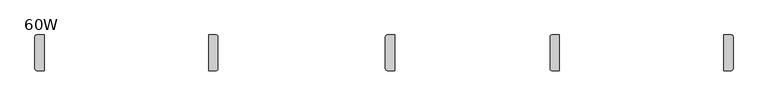
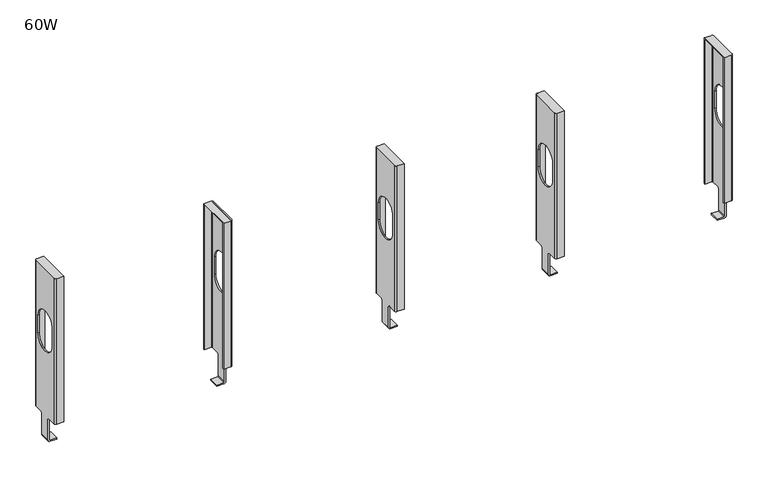
"""IFC4 building model written with IfcOpenShell, lengths in millimetres: furniture geometry, 60W."""

from ifc_helpers import new_model, si_unit, frame, origin, place, context, project, spatial, polyline, circle_curve, source, transform, mapped, element, save
from ifc_brep_helpers import plane_surface, cylinder_surface, revolved_surface, advanced_brep


def furniture_60w_26b0120f(model_context):
    return source(origin(), model_context, "Body", "AdvancedBrep", [
        advanced_brep(
        [(784.0983333, -27.8130007, 112.7505942), (784.0983333, -27.8130007, 110.2105966), (769.112334, -27.8130007, 110.2105966), (765.0483333, -27.8130007, 114.2746018), (765.0483333, -27.8130007, 160.9597973), (767.5883309, -27.8130007, 160.9597973), (767.5883309, -27.8130007, 114.2746018), (769.112334, -27.8130007, 112.7505942), (784.0983333, -49.6569981, 112.7505942), (769.112334, -49.6569981, 112.7505942), (767.5883309, -49.6569981, 114.2746018), (767.5883309, -49.6569981, 160.9597973), (765.0483333, -49.6569981, 160.9597973), (765.0483333, -49.6569981, 114.2746018), (769.112334, -49.6569981, 110.2105966), (784.0983333, -49.6569981, 110.2105966), (767.5883309, -24.7650014, 164.0077944), (767.5883309, -6.2864997, 164.0077944), (767.5883309, -6.2864985, 487.9473667), (767.5883309, -71.1835002, 487.9473667), (767.5883309, -71.1835002, 164.0077944), (767.5883309, -52.7049997, 164.0077944), (767.5883309, -64.1349979, 370.457309), (767.5883309, -13.3349998, 370.457309), (767.5883309, -13.3349998, 332.4494726), (767.5883309, -64.1349979, 332.4494726), (765.0483333, -52.7049997, 164.0077944), (765.0483333, -71.1835002, 164.0077944), (765.0483333, -71.1835002, 488.2388031), (765.0483333, -6.2864997, 488.2388031), (765.0483333, -6.2864985, 164.0077944), (765.0483333, -24.7650014, 164.0077944), (765.0483333, -64.1349979, 370.457309), (765.0483333, -64.1349979, 332.4494726), (765.0483333, -13.3349998, 332.4494726), (765.0483333, -13.3349998, 370.457309), (769.112334, -2.2224979, 164.0077944), (784.0983333, -2.2224979, 164.0077944), (784.0983333, -4.7624955, 164.0077944), (769.112334, -4.7624955, 164.0077944), (769.112334, -75.2475009, 488.2388031), (784.0983333, -75.2475009, 488.2388031), (784.0983333, -2.2224979, 488.2388031), (769.112334, -2.2224979, 488.2388031), (769.112334, -72.7075033, 164.0077944), (784.0983333, -72.7075033, 164.0077944), (784.0983333, -75.2475009, 164.0077944), (769.112334, -75.2475009, 164.0077944), (769.112334, -72.7075033, 487.9473667), (784.0983333, -72.7075033, 487.9473667), (784.0983333, -4.7624955, 487.9473667), (769.112334, -4.7624955, 487.9473667)],
        [
            (0, 1),
            (1, 2),
            (2, 3, circle_curve(frame((769.112334, -27.8130007, 114.2745973), z_axis=(0.0, 1.0, 0.0), x_axis=(1.0, 0.0, 0.0)), 4.0640007)),
            (3, 4),
            (4, 5),
            (5, 6),
            (6, 7),
            (7, 0),
            (8, 9),
            (9, 10),
            (10, 11),
            (11, 12),
            (12, 13),
            (13, 14, circle_curve(frame((769.112334, -49.6569981, 114.2745973), z_axis=(0.0, -1.0, 0.0), x_axis=(1.0, 0.0, 0.0)), 4.0640007)),
            (14, 15),
            (15, 8),
            (7, 9),
            (8, 0),
            (6, 10),
            (1, 15),
            (14, 2),
            (5, 16),
            (16, 17),
            (17, 18),
            (18, 19),
            (19, 20),
            (20, 21),
            (21, 11),
            (22, 23, circle_curve(frame((767.5883309, -38.7349988, 370.457309), z_axis=(-1.0, 0.0, 0.0), x_axis=(0.0, -1.0, 0.0)), 25.3999991)),
            (23, 24),
            (24, 25, circle_curve(frame((767.5883309, -38.7349988, 332.4494726), z_axis=(-1.0, 0.0, 0.0), x_axis=(0.0, -1.0, 0.0)), 25.3999991)),
            (25, 22),
            (12, 26),
            (26, 27),
            (27, 28),
            (28, 29),
            (29, 30),
            (30, 31),
            (31, 4),
            (3, 13),
            (32, 33),
            (33, 34, circle_curve(frame((765.0483333, -38.7349988, 332.4494726), z_axis=(1.0, 0.0, 0.0), x_axis=(0.0, -1.0, 0.0)), 25.3999991)),
            (34, 35),
            (35, 32, circle_curve(frame((765.0483333, -38.7349988, 370.457309), z_axis=(1.0, 0.0, 0.0), x_axis=(0.0, -1.0, 0.0)), 25.3999991)),
            (31, 16),
            (30, 36, circle_curve(frame((769.112334, -6.2864985, 164.0077944), z_axis=(0.0, 0.0, -1.0), x_axis=(1.0, 0.0, 0.0)), 4.0640007)),
            (36, 37),
            (37, 38),
            (38, 39),
            (39, 17),
            (28, 40, circle_curve(frame((769.112334, -71.1835002, 488.2388031), z_axis=(0.0, 0.0, 1.0), x_axis=(1.0, 0.0, 0.0)), 4.0640007)),
            (40, 41),
            (41, 42),
            (42, 43),
            (43, 29, circle_curve(frame((769.112334, -6.2864985, 488.2388031), z_axis=(0.0, 0.0, 1.0), x_axis=(1.0, 0.0, 0.0)), 4.0640007)),
            (20, 44),
            (44, 45),
            (45, 46),
            (46, 47),
            (47, 27, circle_curve(frame((769.112334, -71.1835002, 164.0077944), z_axis=(0.0, 0.0, -1.0), x_axis=(1.0, 0.0, 0.0)), 4.0640007)),
            (26, 21),
            (23, 35),
            (34, 24),
            (25, 33),
            (32, 22),
            (44, 48),
            (48, 49),
            (49, 45),
            (19, 48),
            (46, 41),
            (40, 47),
            (49, 50),
            (50, 38),
            (37, 42),
            (50, 51),
            (51, 39),
            (51, 18),
            (36, 43),
        ],
        [
            plane_surface(frame((769.112334, -27.8130007, 112.7505942), z_axis=(0.0, 1.0, 0.0), x_axis=(1.0, 0.0, 0.0))),
            plane_surface(frame((769.112334, -49.6569981, 112.7505942), z_axis=(0.0, -1.0, 0.0), x_axis=(-1.0, 0.0, 0.0))),
            plane_surface(frame((784.0983333, -49.6569981, 112.7505942), z_axis=(0.0, 0.0, 1.0), x_axis=(0.0, 1.0, 0.0))),
            plane_surface(frame((769.112334, -49.6569981, 112.7505942), z_axis=(0.7071078348532698, 0.0, 0.7071057275182553), x_axis=(0.0, 1.0, 0.0))),
            plane_surface(frame((769.112334, -49.6569981, 110.2105966), z_axis=(0.0, 0.0, -1.0), x_axis=(0.0, 1.0, 0.0))),
            plane_surface(frame((784.0983333, -49.6569981, 110.2105966), z_axis=(1.0, 0.0, 0.0), x_axis=(0.0, 1.0, 0.0))),
            plane_surface(frame((767.5883309, -27.8130007, 114.2746018), z_axis=(1.0, 0.0, 0.0), x_axis=(0.0, 1.0, 0.0))),
            plane_surface(frame((765.0483333, -27.8130007, 114.2746018), z_axis=(-1.0, 0.0, 0.0), x_axis=(0.0, -1.0, 0.0))),
            plane_surface(frame((767.5883309, -27.8130007, 160.9597973), z_axis=(0.0, 0.7071065177685422, -0.7071070446044547), x_axis=(-1.0, 0.0, 0.0))),
            plane_surface(frame((767.5883309, -24.7650014, 164.0077944), z_axis=(0.0, 0.0, -1.0), x_axis=(-1.0, 0.0, 0.0))),
            plane_surface(frame((767.5883309, -6.2864997, 488.2388031), z_axis=(0.0, 0.0, 1.0), x_axis=(-1.0, 0.0, 0.0))),
            plane_surface(frame((767.5883309, -71.1835002, 164.0077944), z_axis=(0.0, 0.0, -1.0), x_axis=(-1.0, 0.0, 0.0))),
            plane_surface(frame((767.5883309, -52.7049997, 164.0077944), z_axis=(0.0, -0.707106254350635, -0.7071073080220677), x_axis=(-1.0, 0.0, 0.0))),
            plane_surface(frame((767.5883309, -13.3349998, 370.457309), z_axis=(0.0, -1.0, 0.0), x_axis=(-1.0, 0.0, 0.0))),
            plane_surface(frame((767.5883309, -64.1349979, 332.4494726), z_axis=(0.0, 1.0, 0.0), x_axis=(-1.0, 0.0, 0.0))),
            plane_surface(frame((784.0983333, -72.7075033, 488.2388031), z_axis=(0.0, 1.0, 0.0), x_axis=(0.0, 0.0, -1.0))),
            plane_surface(frame((769.112334, -72.7075033, 488.2388031), z_axis=(0.7071067811865476, 0.7071067811865476, 0.0), x_axis=(0.0, 0.0, -1.0))),
            plane_surface(frame((769.112334, -75.2475009, 488.2388031), z_axis=(0.0, -1.0, 0.0), x_axis=(0.0, 0.0, -1.0))),
            plane_surface(frame((784.0983333, -75.2475009, 488.2388031), z_axis=(1.0, 0.0, 0.0), x_axis=(0.0, 0.0, -1.0))),
            plane_surface(frame((769.112334, -4.7624955, 488.2388031), z_axis=(0.0, -1.0, 0.0), x_axis=(0.0, 0.0, -1.0))),
            plane_surface(frame((767.5883309, -6.2864985, 488.2388031), z_axis=(0.7071067811865422, -0.7071067811865528, 0.0), x_axis=(0.0, 0.0, -1.0))),
            plane_surface(frame((784.0983333, -2.2224979, 488.2388031), z_axis=(0.0, 1.0, 0.0), x_axis=(0.0, 0.0, -1.0))),
            plane_surface(frame((784.0983333, -72.7075033, 487.9473667), z_axis=(0.0, 0.0, -1.0), x_axis=(-1.0, 0.0, 0.0))),
            cylinder_surface(frame((769.112334, -71.1835002, 164.0077944), z_axis=(0.0, 0.0, 1.0), x_axis=(1.0, 0.0, 0.0)), 4.0640007),
            cylinder_surface(frame((769.112334, -6.2864985, 164.0077944), z_axis=(0.0, 0.0, 1.0), x_axis=(1.0, 0.0, 0.0)), 4.0640007),
            revolved_surface(polyline([(765.0483333, -64.1349979, 370.457309), (767.5883309, -64.1349979, 370.457309)]), (765.0483333, -38.7349988, 370.457309), (-1.0, 0.0, 0.0)),
            revolved_surface(polyline([(765.0483333, -64.1349979, 332.4494726), (767.5883309, -64.1349979, 332.4494726)]), (765.0483333, -38.7349988, 332.4494726), (-1.0, 0.0, 0.0)),
            cylinder_surface(frame((769.112334, -27.8130007, 114.2745973), z_axis=(0.0, -1.0, 0.0), x_axis=(1.0, 0.0, 0.0)), 4.0640007),
        ],
        [
            (0, [[1, 2, 3, 4, 5, 6, 7, 8]]),
            (1, [[9, 10, 11, 12, 13, 14, 15, 16]]),
            (2, [[-8, 17, -9, 18]]),
            (3, [[-7, 19, -10, -17]]),
            (4, [[-2, 20, -15, 21]]),
            (5, [[-1, -18, -16, -20]]),
            (6, [[-6, 22, 23, 24, 25, 26, 27, 28, -11, -19], [29, 30, 31, 32]]),
            (7, [[-13, 33, 34, 35, 36, 37, 38, 39, -4, 40], [41, 42, 43, 44]]),
            (8, [[-22, -5, -39, 45]]),
            (9, [[-23, -45, -38, 46, 47, 48, 49, 50]]),
            (10, [[-36, 51, 52, 53, 54, 55]]),
            (11, [[-27, 56, 57, 58, 59, 60, -34, 61]]),
            (12, [[-28, -61, -33, -12]]),
            (13, [[-30, 62, -43, 63]]),
            (14, [[-32, 64, -41, 65]]),
            (15, [[-57, 66, 67, 68]]),
            (16, [[-56, -26, 69, -66]]),
            (17, [[-59, 70, -52, 71]]),
            (18, [[-58, -68, 72, 73, -48, 74, -53, -70]]),
            (19, [[-49, -73, 75, 76]]),
            (20, [[-50, -76, 77, -24]]),
            (21, [[-47, 78, -54, -74]]),
            (22, [[-72, -67, -69, -25, -77, -75]]),
            (23, [[-60, -71, -51, -35]]),
            (24, [[-46, -37, -55, -78]]),
            (25, [[-29, -65, -44, -62]]),
            (26, [[-31, -63, -42, -64]]),
            (27, [[-3, -21, -14, -40]]),
        ],
    ),
        advanced_brep(
        [(1121.0293333, -27.8130007, 112.7505942), (1121.0293333, -27.8130007, 110.2105966), (1106.043334, -27.8130007, 110.2105966), (1101.9793333, -27.8130007, 114.2746018), (1101.9793333, -27.8130007, 160.9597973), (1104.5193309, -27.8130007, 160.9597973), (1104.5193309, -27.8130007, 114.2746018), (1106.043334, -27.8130007, 112.7505942), (1121.0293333, -49.6569981, 112.7505942), (1106.043334, -49.6569981, 112.7505942), (1104.5193309, -49.6569981, 114.2746018), (1104.5193309, -49.6569981, 160.9597973), (1101.9793333, -49.6569981, 160.9597973), (1101.9793333, -49.6569981, 114.2746018), (1106.043334, -49.6569981, 110.2105966), (1121.0293333, -49.6569981, 110.2105966), (1104.5193309, -24.7650014, 164.0077944), (1104.5193309, -6.2864997, 164.0077944), (1104.5193309, -6.2864985, 487.9473667), (1104.5193309, -71.1835002, 487.9473667), (1104.5193309, -71.1835002, 164.0077944), (1104.5193309, -52.7049997, 164.0077944), (1104.5193309, -64.1349979, 370.457309), (1104.5193309, -13.3349998, 370.457309), (1104.5193309, -13.3349998, 332.4494726), (1104.5193309, -64.1349979, 332.4494726), (1101.9793333, -52.7049997, 164.0077944), (1101.9793333, -71.1835002, 164.0077944), (1101.9793333, -71.1835002, 488.2388031), (1101.9793333, -6.2864997, 488.2388031), (1101.9793333, -6.2864985, 164.0077944), (1101.9793333, -24.7650014, 164.0077944), (1101.9793333, -64.1349979, 370.457309), (1101.9793333, -64.1349979, 332.4494726), (1101.9793333, -13.3349998, 332.4494726), (1101.9793333, -13.3349998, 370.457309), (1106.043334, -2.2224979, 164.0077944), (1121.0293333, -2.2224979, 164.0077944), (1121.0293333, -4.7624955, 164.0077944), (1106.043334, -4.7624955, 164.0077944), (1106.043334, -75.2475009, 488.2388031), (1121.0293333, -75.2475009, 488.2388031), (1121.0293333, -2.2224979, 488.2388031), (1106.043334, -2.2224979, 488.2388031), (1106.043334, -72.7075033, 164.0077944), (1121.0293333, -72.7075033, 164.0077944), (1121.0293333, -75.2475009, 164.0077944), (1106.043334, -75.2475009, 164.0077944), (1106.043334, -72.7075033, 487.9473667), (1121.0293333, -72.7075033, 487.9473667), (1121.0293333, -4.7624955, 487.9473667), (1106.043334, -4.7624955, 487.9473667)],
        [
            (0, 1),
            (1, 2),
            (2, 3, circle_curve(frame((1106.043334, -27.8130007, 114.2745973), z_axis=(0.0, 1.0, 0.0), x_axis=(1.0, 0.0, 0.0)), 4.0640007)),
            (3, 4),
            (4, 5),
            (5, 6),
            (6, 7),
            (7, 0),
            (8, 9),
            (9, 10),
            (10, 11),
            (11, 12),
            (12, 13),
            (13, 14, circle_curve(frame((1106.043334, -49.6569981, 114.2745973), z_axis=(0.0, -1.0, 0.0), x_axis=(1.0, 0.0, 0.0)), 4.0640007)),
            (14, 15),
            (15, 8),
            (7, 9),
            (8, 0),
            (6, 10),
            (1, 15),
            (14, 2),
            (5, 16),
            (16, 17),
            (17, 18),
            (18, 19),
            (19, 20),
            (20, 21),
            (21, 11),
            (22, 23, circle_curve(frame((1104.5193309, -38.7349988, 370.457309), z_axis=(-1.0, 0.0, 0.0), x_axis=(0.0, -1.0, 0.0)), 25.3999991)),
            (23, 24),
            (24, 25, circle_curve(frame((1104.5193309, -38.7349988, 332.4494726), z_axis=(-1.0, 0.0, 0.0), x_axis=(0.0, -1.0, 0.0)), 25.3999991)),
            (25, 22),
            (12, 26),
            (26, 27),
            (27, 28),
            (28, 29),
            (29, 30),
            (30, 31),
            (31, 4),
            (3, 13),
            (32, 33),
            (33, 34, circle_curve(frame((1101.9793333, -38.7349988, 332.4494726), z_axis=(1.0, 0.0, 0.0), x_axis=(0.0, -1.0, 0.0)), 25.3999991)),
            (34, 35),
            (35, 32, circle_curve(frame((1101.9793333, -38.7349988, 370.457309), z_axis=(1.0, 0.0, 0.0), x_axis=(0.0, -1.0, 0.0)), 25.3999991)),
            (31, 16),
            (30, 36, circle_curve(frame((1106.043334, -6.2864985, 164.0077944), z_axis=(0.0, 0.0, -1.0), x_axis=(1.0, 0.0, 0.0)), 4.0640007)),
            (36, 37),
            (37, 38),
            (38, 39),
            (39, 17),
            (28, 40, circle_curve(frame((1106.043334, -71.1835002, 488.2388031), z_axis=(0.0, 0.0, 1.0), x_axis=(1.0, 0.0, 0.0)), 4.0640007)),
            (40, 41),
            (41, 42),
            (42, 43),
            (43, 29, circle_curve(frame((1106.043334, -6.2864985, 488.2388031), z_axis=(0.0, 0.0, 1.0), x_axis=(1.0, 0.0, 0.0)), 4.0640007)),
            (20, 44),
            (44, 45),
            (45, 46),
            (46, 47),
            (47, 27, circle_curve(frame((1106.043334, -71.1835002, 164.0077944), z_axis=(0.0, 0.0, -1.0), x_axis=(1.0, 0.0, 0.0)), 4.0640007)),
            (26, 21),
            (23, 35),
            (34, 24),
            (25, 33),
            (32, 22),
            (44, 48),
            (48, 49),
            (49, 45),
            (19, 48),
            (46, 41),
            (40, 47),
            (49, 50),
            (50, 38),
            (37, 42),
            (50, 51),
            (51, 39),
            (51, 18),
            (36, 43),
        ],
        [
            plane_surface(frame((1106.043334, -27.8130007, 112.7505942), z_axis=(0.0, 1.0, 0.0), x_axis=(1.0, 0.0, 0.0))),
            plane_surface(frame((1106.043334, -49.6569981, 112.7505942), z_axis=(0.0, -1.0, 0.0), x_axis=(-1.0, 0.0, 0.0))),
            plane_surface(frame((1121.0293333, -49.6569981, 112.7505942), z_axis=(0.0, 0.0, 1.0), x_axis=(0.0, 1.0, 0.0))),
            plane_surface(frame((1106.043334, -49.6569981, 112.7505942), z_axis=(0.7071078348532698, 0.0, 0.7071057275182553), x_axis=(0.0, 1.0, 0.0))),
            plane_surface(frame((1106.043334, -49.6569981, 110.2105966), z_axis=(0.0, 0.0, -1.0), x_axis=(0.0, 1.0, 0.0))),
            plane_surface(frame((1121.0293333, -49.6569981, 110.2105966), z_axis=(1.0, 0.0, 0.0), x_axis=(0.0, 1.0, 0.0))),
            plane_surface(frame((1104.5193309, -27.8130007, 114.2746018), z_axis=(1.0, 0.0, 0.0), x_axis=(0.0, 1.0, 0.0))),
            plane_surface(frame((1101.9793333, -27.8130007, 114.2746018), z_axis=(-1.0, 0.0, 0.0), x_axis=(0.0, -1.0, 0.0))),
            plane_surface(frame((1104.5193309, -27.8130007, 160.9597973), z_axis=(0.0, 0.7071065177685422, -0.7071070446044547), x_axis=(-1.0, 0.0, 0.0))),
            plane_surface(frame((1104.5193309, -24.7650014, 164.0077944), z_axis=(0.0, 0.0, -1.0), x_axis=(-1.0, 0.0, 0.0))),
            plane_surface(frame((1104.5193309, -6.2864997, 488.2388031), z_axis=(0.0, 0.0, 1.0), x_axis=(-1.0, 0.0, 0.0))),
            plane_surface(frame((1104.5193309, -71.1835002, 164.0077944), z_axis=(0.0, 0.0, -1.0), x_axis=(-1.0, 0.0, 0.0))),
            plane_surface(frame((1104.5193309, -52.7049997, 164.0077944), z_axis=(0.0, -0.707106254350635, -0.7071073080220677), x_axis=(-1.0, 0.0, 0.0))),
            plane_surface(frame((1104.5193309, -13.3349998, 370.457309), z_axis=(0.0, -1.0, 0.0), x_axis=(-1.0, 0.0, 0.0))),
            plane_surface(frame((1104.5193309, -64.1349979, 332.4494726), z_axis=(0.0, 1.0, 0.0), x_axis=(-1.0, 0.0, 0.0))),
            plane_surface(frame((1121.0293333, -72.7075033, 488.2388031), z_axis=(0.0, 1.0, 0.0), x_axis=(0.0, 0.0, -1.0))),
            plane_surface(frame((1106.043334, -72.7075033, 488.2388031), z_axis=(0.7071067811865476, 0.7071067811865476, 0.0), x_axis=(0.0, 0.0, -1.0))),
            plane_surface(frame((1106.043334, -75.2475009, 488.2388031), z_axis=(0.0, -1.0, 0.0), x_axis=(0.0, 0.0, -1.0))),
            plane_surface(frame((1121.0293333, -75.2475009, 488.2388031), z_axis=(1.0, 0.0, 0.0), x_axis=(0.0, 0.0, -1.0))),
            plane_surface(frame((1106.043334, -4.7624955, 488.2388031), z_axis=(0.0, -1.0, 0.0), x_axis=(0.0, 0.0, -1.0))),
            plane_surface(frame((1104.5193309, -6.2864985, 488.2388031), z_axis=(0.7071067811865422, -0.7071067811865528, 0.0), x_axis=(0.0, 0.0, -1.0))),
            plane_surface(frame((1121.0293333, -2.2224979, 488.2388031), z_axis=(0.0, 1.0, 0.0), x_axis=(0.0, 0.0, -1.0))),
            plane_surface(frame((1121.0293333, -72.7075033, 487.9473667), z_axis=(0.0, 0.0, -1.0), x_axis=(-1.0, 0.0, 0.0))),
            cylinder_surface(frame((1106.043334, -71.1835002, 164.0077944), z_axis=(0.0, 0.0, 1.0), x_axis=(1.0, 0.0, 0.0)), 4.0640007),
            cylinder_surface(frame((1106.043334, -6.2864985, 164.0077944), z_axis=(0.0, 0.0, 1.0), x_axis=(1.0, 0.0, 0.0)), 4.0640007),
            revolved_surface(polyline([(1101.9793333, -64.1349979, 370.457309), (1104.5193309, -64.1349979, 370.457309)]), (1101.9793333, -38.7349988, 370.457309), (-1.0, 0.0, 0.0)),
            revolved_surface(polyline([(1101.9793333, -64.1349979, 332.4494726), (1104.5193309, -64.1349979, 332.4494726)]), (1101.9793333, -38.7349988, 332.4494726), (-1.0, 0.0, 0.0)),
            cylinder_surface(frame((1106.043334, -27.8130007, 114.2745973), z_axis=(0.0, -1.0, 0.0), x_axis=(1.0, 0.0, 0.0)), 4.0640007),
        ],
        [
            (0, [[1, 2, 3, 4, 5, 6, 7, 8]]),
            (1, [[9, 10, 11, 12, 13, 14, 15, 16]]),
            (2, [[-8, 17, -9, 18]]),
            (3, [[-7, 19, -10, -17]]),
            (4, [[-2, 20, -15, 21]]),
            (5, [[-1, -18, -16, -20]]),
            (6, [[-6, 22, 23, 24, 25, 26, 27, 28, -11, -19], [29, 30, 31, 32]]),
            (7, [[-13, 33, 34, 35, 36, 37, 38, 39, -4, 40], [41, 42, 43, 44]]),
            (8, [[-22, -5, -39, 45]]),
            (9, [[-23, -45, -38, 46, 47, 48, 49, 50]]),
            (10, [[-36, 51, 52, 53, 54, 55]]),
            (11, [[-27, 56, 57, 58, 59, 60, -34, 61]]),
            (12, [[-28, -61, -33, -12]]),
            (13, [[-30, 62, -43, 63]]),
            (14, [[-32, 64, -41, 65]]),
            (15, [[-57, 66, 67, 68]]),
            (16, [[-56, -26, 69, -66]]),
            (17, [[-59, 70, -52, 71]]),
            (18, [[-58, -68, 72, 73, -48, 74, -53, -70]]),
            (19, [[-49, -73, 75, 76]]),
            (20, [[-50, -76, 77, -24]]),
            (21, [[-47, 78, -54, -74]]),
            (22, [[-72, -67, -69, -25, -77, -75]]),
            (23, [[-60, -71, -51, -35]]),
            (24, [[-46, -37, -55, -78]]),
            (25, [[-29, -65, -44, -62]]),
            (26, [[-31, -63, -42, -64]]),
            (27, [[-3, -21, -14, -40]]),
        ],
    ),
        advanced_brep(
        [(1457.5790014, -27.8130007, 112.7505942), (1472.5650008, -27.8130007, 112.7505942), (1474.0890039, -27.8130007, 114.2746018), (1474.0890039, -27.8130007, 160.9597973), (1476.6290014, -27.8130007, 160.9597973), (1476.6290014, -27.8130007, 114.2746018), (1472.5650008, -27.8130007, 110.2105966), (1457.5790014, -27.8130007, 110.2105966), (1457.5790014, -49.6569981, 112.7505942), (1457.5790014, -49.6569981, 110.2105966), (1472.5650008, -49.6569981, 110.2105966), (1476.6290014, -49.6569981, 114.2746018), (1476.6290014, -49.6569981, 160.9597973), (1474.0890039, -49.6569981, 160.9597973), (1474.0890039, -49.6569981, 114.2746018), (1472.5650008, -49.6569981, 112.7505942), (1474.0890039, -52.7049997, 164.0077944), (1474.0890039, -71.1835002, 164.0077944), (1474.0890039, -71.1835002, 487.9473667), (1474.0890039, -6.2864985, 487.9473667), (1474.0890039, -6.2864985, 164.0077944), (1474.0890039, -24.7650014, 164.0077944), (1474.0890039, -64.1349979, 370.457309), (1474.0890039, -64.1349979, 332.4494726), (1474.0890039, -13.3349998, 332.4494726), (1474.0890039, -13.3349998, 370.457309), (1476.6290014, -24.7650014, 164.0077944), (1476.6290014, -6.2864997, 164.0077944), (1476.6290014, -6.2864985, 488.2388031), (1476.6290014, -71.1835002, 488.2388031), (1476.6290014, -71.1835002, 164.0077944), (1476.6290014, -52.7049997, 164.0077944), (1476.6290014, -64.1349979, 370.457309), (1476.6290014, -13.3349998, 370.457309), (1476.6290014, -13.3349998, 332.4494726), (1476.6290014, -64.1349979, 332.4494726), (1472.5650008, -4.7624955, 164.0077944), (1457.5790014, -4.7624955, 164.0077944), (1457.5790014, -2.2224979, 164.0077944), (1472.5650008, -2.2224979, 164.0077944), (1472.5650008, -2.2224979, 488.2388031), (1457.5790014, -2.2224979, 488.2388031), (1457.5790014, -75.2475009, 488.2388031), (1472.5650008, -75.2475009, 488.2388031), (1472.5650008, -75.2475009, 164.0077944), (1457.5790014, -75.2475009, 164.0077944), (1457.5790014, -72.7075033, 164.0077944), (1472.5650008, -72.7075033, 164.0077944), (1457.5790014, -72.7075033, 487.9473667), (1472.5650008, -72.7075033, 487.9473667), (1457.5790014, -4.7624955, 487.9473667), (1472.5650008, -4.7624955, 487.9473667)],
        [
            (0, 1),
            (1, 2),
            (2, 3),
            (3, 4),
            (4, 5),
            (5, 6, circle_curve(frame((1472.5650008, -27.8130007, 114.2745973), z_axis=(0.0, 1.0, 0.0), x_axis=(-1.0, 0.0, 0.0)), 4.0640007)),
            (6, 7),
            (7, 0),
            (8, 9),
            (9, 10),
            (10, 11, circle_curve(frame((1472.5650008, -49.6569981, 114.2745973), z_axis=(0.0, -1.0, 0.0), x_axis=(-1.0, 0.0, 0.0)), 4.0640007)),
            (11, 12),
            (12, 13),
            (13, 14),
            (14, 15),
            (15, 8),
            (0, 8),
            (15, 1),
            (14, 2),
            (6, 10),
            (9, 7),
            (13, 16),
            (16, 17),
            (17, 18),
            (18, 19),
            (19, 20),
            (20, 21),
            (21, 3),
            (22, 23),
            (23, 24, circle_curve(frame((1474.0890039, -38.7349988, 332.4494726), z_axis=(1.0, 0.0, 0.0), x_axis=(0.0, -1.0, 0.0)), 25.3999991)),
            (24, 25),
            (25, 22, circle_curve(frame((1474.0890039, -38.7349988, 370.457309), z_axis=(1.0, 0.0, 0.0), x_axis=(0.0, -1.0, 0.0)), 25.3999991)),
            (11, 5),
            (4, 26),
            (26, 27),
            (27, 28),
            (28, 29),
            (29, 30),
            (30, 31),
            (31, 12),
            (32, 33, circle_curve(frame((1476.6290014, -38.7349988, 370.457309), z_axis=(-1.0, 0.0, 0.0), x_axis=(0.0, -1.0, 0.0)), 25.3999991)),
            (33, 34),
            (34, 35, circle_curve(frame((1476.6290014, -38.7349988, 332.4494726), z_axis=(-1.0, 0.0, 0.0), x_axis=(0.0, -1.0, 0.0)), 25.3999991)),
            (35, 32),
            (21, 26),
            (20, 36),
            (36, 37),
            (37, 38),
            (38, 39),
            (39, 27, circle_curve(frame((1472.5650008, -6.2864985, 164.0077944), z_axis=(0.0, 0.0, -1.0), x_axis=(-1.0, 0.0, 0.0)), 4.0640007)),
            (28, 40, circle_curve(frame((1472.5650008, -6.2864985, 488.2388031), z_axis=(0.0, 0.0, 1.0), x_axis=(-1.0, 0.0, 0.0)), 4.0640007)),
            (40, 41),
            (41, 42),
            (42, 43),
            (43, 29, circle_curve(frame((1472.5650008, -71.1835002, 488.2388031), z_axis=(0.0, 0.0, 1.0), x_axis=(-1.0, 0.0, 0.0)), 4.0640007)),
            (16, 31),
            (30, 44, circle_curve(frame((1472.5650008, -71.1835002, 164.0077944), z_axis=(0.0, 0.0, -1.0), x_axis=(-1.0, 0.0, 0.0)), 4.0640007)),
            (44, 45),
            (45, 46),
            (46, 47),
            (47, 17),
            (24, 34),
            (33, 25),
            (22, 32),
            (35, 23),
            (46, 48),
            (48, 49),
            (49, 47),
            (49, 18),
            (44, 43),
            (42, 45),
            (41, 38),
            (37, 50),
            (50, 48),
            (36, 51),
            (51, 50),
            (19, 51),
            (40, 39),
        ],
        [
            plane_surface(frame((1472.5650008, -27.8130007, 112.7505942), z_axis=(0.0, 1.0, 0.0), x_axis=(-1.0, 0.0, 0.0))),
            plane_surface(frame((1472.5650008, -49.6569981, 112.7505942), z_axis=(0.0, -1.0, 0.0), x_axis=(1.0, 0.0, 0.0))),
            plane_surface(frame((1457.5790014, -49.6569981, 112.7505942), z_axis=(0.0, 0.0, 1.0), x_axis=(0.0, 1.0, 0.0))),
            plane_surface(frame((1472.5650008, -49.6569981, 112.7505942), z_axis=(-0.7071078348532684, 0.0, 0.7071057275182566), x_axis=(0.0, 1.0, 0.0))),
            plane_surface(frame((1472.5650008, -49.6569981, 110.2105966), z_axis=(0.0, 0.0, -1.0), x_axis=(0.0, 1.0, 0.0))),
            plane_surface(frame((1457.5790014, -49.6569981, 110.2105966), z_axis=(-1.0, 0.0, 0.0), x_axis=(0.0, 1.0, 0.0))),
            plane_surface(frame((1474.0890039, -27.8130007, 114.2746018), z_axis=(-1.0, 0.0, 0.0), x_axis=(0.0, 1.0, 0.0))),
            plane_surface(frame((1476.6290014, -27.8130007, 114.2746018), z_axis=(1.0, 0.0, 0.0), x_axis=(0.0, -1.0, 0.0))),
            plane_surface(frame((1474.0890039, -27.8130007, 160.9597973), z_axis=(0.0, 0.7071065177685422, -0.7071070446044547), x_axis=(1.0, 0.0, 0.0))),
            plane_surface(frame((1474.0890039, -24.7650014, 164.0077944), z_axis=(0.0, 0.0, -1.0), x_axis=(1.0, 0.0, 0.0))),
            plane_surface(frame((1474.0890039, -6.2864997, 488.2388031), z_axis=(0.0, 0.0, 1.0), x_axis=(1.0, 0.0, 0.0))),
            plane_surface(frame((1474.0890039, -71.1835002, 164.0077944), z_axis=(0.0, 0.0, -1.0), x_axis=(1.0, 0.0, 0.0))),
            plane_surface(frame((1474.0890039, -52.7049997, 164.0077944), z_axis=(0.0, -0.707106254350635, -0.7071073080220677), x_axis=(1.0, 0.0, 0.0))),
            plane_surface(frame((1474.0890039, -13.3349998, 370.457309), z_axis=(0.0, -1.0, 0.0), x_axis=(1.0, 0.0, 0.0))),
            plane_surface(frame((1474.0890039, -64.1349979, 332.4494726), z_axis=(0.0, 1.0, 0.0), x_axis=(1.0, 0.0, 0.0))),
            plane_surface(frame((1457.5790014, -72.7075033, 488.2388031), z_axis=(0.0, 1.0, 0.0), x_axis=(0.0, 0.0, -1.0))),
            plane_surface(frame((1472.5650008, -72.7075033, 488.2388031), z_axis=(-0.7071067811865476, 0.7071067811865476, 0.0), x_axis=(0.0, 0.0, -1.0))),
            plane_surface(frame((1472.5650008, -75.2475009, 488.2388031), z_axis=(0.0, -1.0, 0.0), x_axis=(0.0, 0.0, -1.0))),
            plane_surface(frame((1457.5790014, -75.2475009, 488.2388031), z_axis=(-1.0, 0.0, 0.0), x_axis=(0.0, 0.0, -1.0))),
            plane_surface(frame((1472.5650008, -4.7624955, 488.2388031), z_axis=(0.0, -1.0, 0.0), x_axis=(0.0, 0.0, -1.0))),
            plane_surface(frame((1474.0890039, -6.2864985, 488.2388031), z_axis=(-0.7071067811865422, -0.7071067811865528, 0.0), x_axis=(0.0, 0.0, -1.0))),
            plane_surface(frame((1457.5790014, -2.2224979, 488.2388031), z_axis=(0.0, 1.0, 0.0), x_axis=(0.0, 0.0, -1.0))),
            plane_surface(frame((1457.5790014, -72.7075033, 487.9473667), z_axis=(0.0, 0.0, -1.0), x_axis=(1.0, 0.0, 0.0))),
            cylinder_surface(frame((1472.5650008, -71.1835002, 164.0077944), z_axis=(0.0, 0.0, 1.0), x_axis=(-1.0, 0.0, 0.0)), 4.0640007),
            cylinder_surface(frame((1472.5650008, -6.2864985, 164.0077944), z_axis=(0.0, 0.0, 1.0), x_axis=(-1.0, 0.0, 0.0)), 4.0640007),
            revolved_surface(polyline([(1476.6290014, -64.1349979, 370.457309), (1474.0890039, -64.1349979, 370.457309)]), (1476.6290014, -38.7349988, 370.457309), (1.0, 0.0, 0.0)),
            revolved_surface(polyline([(1476.6290014, -64.1349979, 332.4494726), (1474.0890039, -64.1349979, 332.4494726)]), (1476.6290014, -38.7349988, 332.4494726), (1.0, 0.0, 0.0)),
            cylinder_surface(frame((1472.5650008, -27.8130007, 114.2745973), z_axis=(0.0, -1.0, 0.0), x_axis=(-1.0, 0.0, 0.0)), 4.0640007),
        ],
        [
            (0, [[1, 2, 3, 4, 5, 6, 7, 8]]),
            (1, [[9, 10, 11, 12, 13, 14, 15, 16]]),
            (2, [[17, -16, 18, -1]]),
            (3, [[-18, -15, 19, -2]]),
            (4, [[20, -10, 21, -7]]),
            (5, [[-21, -9, -17, -8]]),
            (6, [[-19, -14, 22, 23, 24, 25, 26, 27, 28, -3], [29, 30, 31, 32]]),
            (7, [[33, -5, 34, 35, 36, 37, 38, 39, 40, -12], [41, 42, 43, 44]]),
            (8, [[45, -34, -4, -28]]),
            (9, [[46, 47, 48, 49, 50, -35, -45, -27]]),
            (10, [[51, 52, 53, 54, 55, -37]]),
            (11, [[56, -39, 57, 58, 59, 60, 61, -23]]),
            (12, [[-13, -40, -56, -22]]),
            (13, [[62, -42, 63, -31]]),
            (14, [[64, -44, 65, -29]]),
            (15, [[66, 67, 68, -60]]),
            (16, [[-68, 69, -24, -61]]),
            (17, [[70, -54, 71, -58]]),
            (18, [[-71, -53, 72, -48, 73, 74, -66, -59]]),
            (19, [[75, 76, -73, -47]]),
            (20, [[-26, 77, -75, -46]]),
            (21, [[-72, -52, 78, -49]]),
            (22, [[-76, -77, -25, -69, -67, -74]]),
            (23, [[-38, -55, -70, -57]]),
            (24, [[-78, -51, -36, -50]]),
            (25, [[-63, -41, -64, -32]]),
            (26, [[-65, -43, -62, -30]]),
            (27, [[-33, -11, -20, -6]]),
        ],
    ),
        advanced_brep(
        [(402.9713333, -27.8130007, 112.7505942), (417.9573326, -27.8130007, 112.7505942), (419.4813357, -27.8130007, 114.2746018), (419.4813357, -27.8130007, 160.9597973), (422.0213333, -27.8130007, 160.9597973), (422.0213333, -27.8130007, 114.2746018), (417.9573326, -27.8130007, 110.2105966), (402.9713333, -27.8130007, 110.2105966), (402.9713333, -49.6569981, 112.7505942), (402.9713333, -49.6569981, 110.2105966), (417.9573326, -49.6569981, 110.2105966), (422.0213333, -49.6569981, 114.2746018), (422.0213333, -49.6569981, 160.9597973), (419.4813357, -49.6569981, 160.9597973), (419.4813357, -49.6569981, 114.2746018), (417.9573326, -49.6569981, 112.7505942), (419.4813357, -52.7049997, 164.0077944), (419.4813357, -71.1835002, 164.0077944), (419.4813357, -71.1835002, 487.9473667), (419.4813357, -6.2864985, 487.9473667), (419.4813357, -6.2864985, 164.0077944), (419.4813357, -24.7650014, 164.0077944), (419.4813357, -64.1349979, 370.457309), (419.4813357, -64.1349979, 332.4494726), (419.4813357, -13.3349998, 332.4494726), (419.4813357, -13.3349998, 370.457309), (422.0213333, -24.7650014, 164.0077944), (422.0213333, -6.2864997, 164.0077944), (422.0213333, -6.2864985, 488.2388031), (422.0213333, -71.1835002, 488.2388031), (422.0213333, -71.1835002, 164.0077944), (422.0213333, -52.7049997, 164.0077944), (422.0213333, -64.1349979, 370.457309), (422.0213333, -13.3349998, 370.457309), (422.0213333, -13.3349998, 332.4494726), (422.0213333, -64.1349979, 332.4494726), (417.9573326, -4.7624955, 164.0077944), (402.9713333, -4.7624955, 164.0077944), (402.9713333, -2.2224979, 164.0077944), (417.9573326, -2.2224979, 164.0077944), (417.9573326, -2.2224979, 488.2388031), (402.9713333, -2.2224979, 488.2388031), (402.9713333, -75.2475009, 488.2388031), (417.9573326, -75.2475009, 488.2388031), (417.9573326, -75.2475009, 164.0077944), (402.9713333, -75.2475009, 164.0077944), (402.9713333, -72.7075033, 164.0077944), (417.9573326, -72.7075033, 164.0077944), (402.9713333, -72.7075033, 487.9473667), (417.9573326, -72.7075033, 487.9473667), (402.9713333, -4.7624955, 487.9473667), (417.9573326, -4.7624955, 487.9473667)],
        [
            (0, 1),
            (1, 2),
            (2, 3),
            (3, 4),
            (4, 5),
            (5, 6, circle_curve(frame((417.9573326, -27.8130007, 114.2745973), z_axis=(0.0, 1.0, 0.0), x_axis=(-1.0, 0.0, 0.0)), 4.0640007)),
            (6, 7),
            (7, 0),
            (8, 9),
            (9, 10),
            (10, 11, circle_curve(frame((417.9573326, -49.6569981, 114.2745973), z_axis=(0.0, -1.0, 0.0), x_axis=(-1.0, 0.0, 0.0)), 4.0640007)),
            (11, 12),
            (12, 13),
            (13, 14),
            (14, 15),
            (15, 8),
            (0, 8),
            (15, 1),
            (14, 2),
            (6, 10),
            (9, 7),
            (13, 16),
            (16, 17),
            (17, 18),
            (18, 19),
            (19, 20),
            (20, 21),
            (21, 3),
            (22, 23),
            (23, 24, circle_curve(frame((419.4813357, -38.7349988, 332.4494726), z_axis=(1.0, 0.0, 0.0), x_axis=(0.0, -1.0, 0.0)), 25.3999991)),
            (24, 25),
            (25, 22, circle_curve(frame((419.4813357, -38.7349988, 370.457309), z_axis=(1.0, 0.0, 0.0), x_axis=(0.0, -1.0, 0.0)), 25.3999991)),
            (11, 5),
            (4, 26),
            (26, 27),
            (27, 28),
            (28, 29),
            (29, 30),
            (30, 31),
            (31, 12),
            (32, 33, circle_curve(frame((422.0213333, -38.7349988, 370.457309), z_axis=(-1.0, 0.0, 0.0), x_axis=(0.0, -1.0, 0.0)), 25.3999991)),
            (33, 34),
            (34, 35, circle_curve(frame((422.0213333, -38.7349988, 332.4494726), z_axis=(-1.0, 0.0, 0.0), x_axis=(0.0, -1.0, 0.0)), 25.3999991)),
            (35, 32),
            (21, 26),
            (20, 36),
            (36, 37),
            (37, 38),
            (38, 39),
            (39, 27, circle_curve(frame((417.9573326, -6.2864985, 164.0077944), z_axis=(0.0, 0.0, -1.0), x_axis=(-1.0, 0.0, 0.0)), 4.0640007)),
            (28, 40, circle_curve(frame((417.9573326, -6.2864985, 488.2388031), z_axis=(0.0, 0.0, 1.0), x_axis=(-1.0, 0.0, 0.0)), 4.0640007)),
            (40, 41),
            (41, 42),
            (42, 43),
            (43, 29, circle_curve(frame((417.9573326, -71.1835002, 488.2388031), z_axis=(0.0, 0.0, 1.0), x_axis=(-1.0, 0.0, 0.0)), 4.0640007)),
            (16, 31),
            (30, 44, circle_curve(frame((417.9573326, -71.1835002, 164.0077944), z_axis=(0.0, 0.0, -1.0), x_axis=(-1.0, 0.0, 0.0)), 4.0640007)),
            (44, 45),
            (45, 46),
            (46, 47),
            (47, 17),
            (24, 34),
            (33, 25),
            (22, 32),
            (35, 23),
            (46, 48),
            (48, 49),
            (49, 47),
            (49, 18),
            (44, 43),
            (42, 45),
            (41, 38),
            (37, 50),
            (50, 48),
            (36, 51),
            (51, 50),
            (19, 51),
            (40, 39),
        ],
        [
            plane_surface(frame((417.9573326, -27.8130007, 112.7505942), z_axis=(0.0, 1.0, 0.0), x_axis=(-1.0, 0.0, 0.0))),
            plane_surface(frame((417.9573326, -49.6569981, 112.7505942), z_axis=(0.0, -1.0, 0.0), x_axis=(1.0, 0.0, 0.0))),
            plane_surface(frame((402.9713333, -49.6569981, 112.7505942), z_axis=(0.0, 0.0, 1.0), x_axis=(0.0, 1.0, 0.0))),
            plane_surface(frame((417.9573326, -49.6569981, 112.7505942), z_axis=(-0.7071078348532684, 0.0, 0.7071057275182566), x_axis=(0.0, 1.0, 0.0))),
            plane_surface(frame((417.9573326, -49.6569981, 110.2105966), z_axis=(0.0, 0.0, -1.0), x_axis=(0.0, 1.0, 0.0))),
            plane_surface(frame((402.9713333, -49.6569981, 110.2105966), z_axis=(-1.0, 0.0, 0.0), x_axis=(0.0, 1.0, 0.0))),
            plane_surface(frame((419.4813357, -27.8130007, 114.2746018), z_axis=(-1.0, 0.0, 0.0), x_axis=(0.0, 1.0, 0.0))),
            plane_surface(frame((422.0213333, -27.8130007, 114.2746018), z_axis=(1.0, 0.0, 0.0), x_axis=(0.0, -1.0, 0.0))),
            plane_surface(frame((419.4813357, -27.8130007, 160.9597973), z_axis=(0.0, 0.7071065177685422, -0.7071070446044547), x_axis=(1.0, 0.0, 0.0))),
            plane_surface(frame((419.4813357, -24.7650014, 164.0077944), z_axis=(0.0, 0.0, -1.0), x_axis=(1.0, 0.0, 0.0))),
            plane_surface(frame((419.4813357, -6.2864997, 488.2388031), z_axis=(0.0, 0.0, 1.0), x_axis=(1.0, 0.0, 0.0))),
            plane_surface(frame((419.4813357, -71.1835002, 164.0077944), z_axis=(0.0, 0.0, -1.0), x_axis=(1.0, 0.0, 0.0))),
            plane_surface(frame((419.4813357, -52.7049997, 164.0077944), z_axis=(0.0, -0.707106254350635, -0.7071073080220677), x_axis=(1.0, 0.0, 0.0))),
            plane_surface(frame((419.4813357, -13.3349998, 370.457309), z_axis=(0.0, -1.0, 0.0), x_axis=(1.0, 0.0, 0.0))),
            plane_surface(frame((419.4813357, -64.1349979, 332.4494726), z_axis=(0.0, 1.0, 0.0), x_axis=(1.0, 0.0, 0.0))),
            plane_surface(frame((402.9713333, -72.7075033, 488.2388031), z_axis=(0.0, 1.0, 0.0), x_axis=(0.0, 0.0, -1.0))),
            plane_surface(frame((417.9573326, -72.7075033, 488.2388031), z_axis=(-0.7071067811865476, 0.7071067811865476, 0.0), x_axis=(0.0, 0.0, -1.0))),
            plane_surface(frame((417.9573326, -75.2475009, 488.2388031), z_axis=(0.0, -1.0, 0.0), x_axis=(0.0, 0.0, -1.0))),
            plane_surface(frame((402.9713333, -75.2475009, 488.2388031), z_axis=(-1.0, 0.0, 0.0), x_axis=(0.0, 0.0, -1.0))),
            plane_surface(frame((417.9573326, -4.7624955, 488.2388031), z_axis=(0.0, -1.0, 0.0), x_axis=(0.0, 0.0, -1.0))),
            plane_surface(frame((419.4813357, -6.2864985, 488.2388031), z_axis=(-0.7071067811865422, -0.7071067811865528, 0.0), x_axis=(0.0, 0.0, -1.0))),
            plane_surface(frame((402.9713333, -2.2224979, 488.2388031), z_axis=(0.0, 1.0, 0.0), x_axis=(0.0, 0.0, -1.0))),
            plane_surface(frame((402.9713333, -72.7075033, 487.9473667), z_axis=(0.0, 0.0, -1.0), x_axis=(1.0, 0.0, 0.0))),
            cylinder_surface(frame((417.9573326, -71.1835002, 164.0077944), z_axis=(0.0, 0.0, 1.0), x_axis=(-1.0, 0.0, 0.0)), 4.0640007),
            cylinder_surface(frame((417.9573326, -6.2864985, 164.0077944), z_axis=(0.0, 0.0, 1.0), x_axis=(-1.0, 0.0, 0.0)), 4.0640007),
            revolved_surface(polyline([(422.0213333, -64.1349979, 370.457309), (419.4813357, -64.1349979, 370.457309)]), (422.0213333, -38.7349988, 370.457309), (1.0, 0.0, 0.0)),
            revolved_surface(polyline([(422.0213333, -64.1349979, 332.4494726), (419.4813357, -64.1349979, 332.4494726)]), (422.0213333, -38.7349988, 332.4494726), (1.0, 0.0, 0.0)),
            cylinder_surface(frame((417.9573326, -27.8130007, 114.2745973), z_axis=(0.0, -1.0, 0.0), x_axis=(-1.0, 0.0, 0.0)), 4.0640007),
        ],
        [
            (0, [[1, 2, 3, 4, 5, 6, 7, 8]]),
            (1, [[9, 10, 11, 12, 13, 14, 15, 16]]),
            (2, [[17, -16, 18, -1]]),
            (3, [[-18, -15, 19, -2]]),
            (4, [[20, -10, 21, -7]]),
            (5, [[-21, -9, -17, -8]]),
            (6, [[-19, -14, 22, 23, 24, 25, 26, 27, 28, -3], [29, 30, 31, 32]]),
            (7, [[33, -5, 34, 35, 36, 37, 38, 39, 40, -12], [41, 42, 43, 44]]),
            (8, [[45, -34, -4, -28]]),
            (9, [[46, 47, 48, 49, 50, -35, -45, -27]]),
            (10, [[51, 52, 53, 54, 55, -37]]),
            (11, [[56, -39, 57, 58, 59, 60, 61, -23]]),
            (12, [[-13, -40, -56, -22]]),
            (13, [[62, -42, 63, -31]]),
            (14, [[64, -44, 65, -29]]),
            (15, [[66, 67, 68, -60]]),
            (16, [[-68, 69, -24, -61]]),
            (17, [[70, -54, 71, -58]]),
            (18, [[-71, -53, 72, -48, 73, 74, -66, -59]]),
            (19, [[75, 76, -73, -47]]),
            (20, [[-26, 77, -75, -46]]),
            (21, [[-72, -52, 78, -49]]),
            (22, [[-76, -77, -25, -69, -67, -74]]),
            (23, [[-38, -55, -70, -57]]),
            (24, [[-78, -51, -36, -50]]),
            (25, [[-63, -41, -64, -32]]),
            (26, [[-65, -43, -62, -30]]),
            (27, [[-33, -11, -20, -6]]),
        ],
    ),
        advanced_brep(
        [(66.4210002, -27.8130007, 112.7505942), (66.4210002, -27.8130007, 110.2105966), (51.4350009, -27.8130007, 110.2105966), (47.3710002, -27.8130007, 114.2746018), (47.3710002, -27.8130007, 160.9597973), (49.9109978, -27.8130007, 160.9597973), (49.9109978, -27.8130007, 114.2746018), (51.4350009, -27.8130007, 112.7505942), (66.4210002, -49.6569981, 112.7505942), (51.4350009, -49.6569981, 112.7505942), (49.9109978, -49.6569981, 114.2746018), (49.9109978, -49.6569981, 160.9597973), (47.3710002, -49.6569981, 160.9597973), (47.3710002, -49.6569981, 114.2746018), (51.4350009, -49.6569981, 110.2105966), (66.4210002, -49.6569981, 110.2105966), (49.9109978, -24.7650014, 164.0077944), (49.9109978, -6.2864997, 164.0077944), (49.9109978, -6.2864985, 487.9473667), (49.9109978, -71.1835002, 487.9473667), (49.9109978, -71.1835002, 164.0077944), (49.9109978, -52.7049997, 164.0077944), (49.9109978, -64.1349979, 370.457309), (49.9109978, -13.3349998, 370.457309), (49.9109978, -13.3349998, 332.4494726), (49.9109978, -64.1349979, 332.4494726), (47.3710002, -52.7049997, 164.0077944), (47.3710002, -71.1835002, 164.0077944), (47.3710002, -71.1835002, 488.2388031), (47.3710002, -6.2864997, 488.2388031), (47.3710002, -6.2864985, 164.0077944), (47.3710002, -24.7650014, 164.0077944), (47.3710002, -64.1349979, 370.457309), (47.3710002, -64.1349979, 332.4494726), (47.3710002, -13.3349998, 332.4494726), (47.3710002, -13.3349998, 370.457309), (51.4350009, -2.2224979, 164.0077944), (66.4210002, -2.2224979, 164.0077944), (66.4210002, -4.7624955, 164.0077944), (51.4350009, -4.7624955, 164.0077944), (51.4350009, -75.2475009, 488.2388031), (66.4210002, -75.2475009, 488.2388031), (66.4210002, -2.2224979, 488.2388031), (51.4350009, -2.2224979, 488.2388031), (51.4350009, -72.7075033, 164.0077944), (66.4210002, -72.7075033, 164.0077944), (66.4210002, -75.2475009, 164.0077944), (51.4350009, -75.2475009, 164.0077944), (51.4350009, -72.7075033, 487.9473667), (66.4210002, -72.7075033, 487.9473667), (66.4210002, -4.7624955, 487.9473667), (51.4350009, -4.7624955, 487.9473667)],
        [
            (0, 1),
            (1, 2),
            (2, 3, circle_curve(frame((51.4350009, -27.8130007, 114.2745973), z_axis=(0.0, 1.0, 0.0), x_axis=(1.0, 0.0, 0.0)), 4.0640007)),
            (3, 4),
            (4, 5),
            (5, 6),
            (6, 7),
            (7, 0),
            (8, 9),
            (9, 10),
            (10, 11),
            (11, 12),
            (12, 13),
            (13, 14, circle_curve(frame((51.4350009, -49.6569981, 114.2745973), z_axis=(0.0, -1.0, 0.0), x_axis=(1.0, 0.0, 0.0)), 4.0640007)),
            (14, 15),
            (15, 8),
            (7, 9),
            (8, 0),
            (6, 10),
            (1, 15),
            (14, 2),
            (5, 16),
            (16, 17),
            (17, 18),
            (18, 19),
            (19, 20),
            (20, 21),
            (21, 11),
            (22, 23, circle_curve(frame((49.9109978, -38.7349988, 370.457309), z_axis=(-1.0, 0.0, 0.0), x_axis=(0.0, -1.0, 0.0)), 25.3999991)),
            (23, 24),
            (24, 25, circle_curve(frame((49.9109978, -38.7349988, 332.4494726), z_axis=(-1.0, 0.0, 0.0), x_axis=(0.0, -1.0, 0.0)), 25.3999991)),
            (25, 22),
            (12, 26),
            (26, 27),
            (27, 28),
            (28, 29),
            (29, 30),
            (30, 31),
            (31, 4),
            (3, 13),
            (32, 33),
            (33, 34, circle_curve(frame((47.3710002, -38.7349988, 332.4494726), z_axis=(1.0, 0.0, 0.0), x_axis=(0.0, -1.0, 0.0)), 25.3999991)),
            (34, 35),
            (35, 32, circle_curve(frame((47.3710002, -38.7349988, 370.457309), z_axis=(1.0, 0.0, 0.0), x_axis=(0.0, -1.0, 0.0)), 25.3999991)),
            (31, 16),
            (30, 36, circle_curve(frame((51.4350009, -6.2864985, 164.0077944), z_axis=(0.0, 0.0, -1.0), x_axis=(1.0, 0.0, 0.0)), 4.0640007)),
            (36, 37),
            (37, 38),
            (38, 39),
            (39, 17),
            (28, 40, circle_curve(frame((51.4350009, -71.1835002, 488.2388031), z_axis=(0.0, 0.0, 1.0), x_axis=(1.0, 0.0, 0.0)), 4.0640007)),
            (40, 41),
            (41, 42),
            (42, 43),
            (43, 29, circle_curve(frame((51.4350009, -6.2864985, 488.2388031), z_axis=(0.0, 0.0, 1.0), x_axis=(1.0, 0.0, 0.0)), 4.0640007)),
            (20, 44),
            (44, 45),
            (45, 46),
            (46, 47),
            (47, 27, circle_curve(frame((51.4350009, -71.1835002, 164.0077944), z_axis=(0.0, 0.0, -1.0), x_axis=(1.0, 0.0, 0.0)), 4.0640007)),
            (26, 21),
            (23, 35),
            (34, 24),
            (25, 33),
            (32, 22),
            (44, 48),
            (48, 49),
            (49, 45),
            (19, 48),
            (46, 41),
            (40, 47),
            (49, 50),
            (50, 38),
            (37, 42),
            (50, 51),
            (51, 39),
            (51, 18),
            (36, 43),
        ],
        [
            plane_surface(frame((51.4350009, -27.8130007, 112.7505942), z_axis=(0.0, 1.0, 0.0), x_axis=(1.0, 0.0, 0.0))),
            plane_surface(frame((51.4350009, -49.6569981, 112.7505942), z_axis=(0.0, -1.0, 0.0), x_axis=(-1.0, 0.0, 0.0))),
            plane_surface(frame((66.4210002, -49.6569981, 112.7505942), z_axis=(0.0, 0.0, 1.0), x_axis=(0.0, 1.0, 0.0))),
            plane_surface(frame((51.4350009, -49.6569981, 112.7505942), z_axis=(0.7071078348532698, 0.0, 0.7071057275182553), x_axis=(0.0, 1.0, 0.0))),
            plane_surface(frame((51.4350009, -49.6569981, 110.2105966), z_axis=(0.0, 0.0, -1.0), x_axis=(0.0, 1.0, 0.0))),
            plane_surface(frame((66.4210002, -49.6569981, 110.2105966), z_axis=(1.0, 0.0, 0.0), x_axis=(0.0, 1.0, 0.0))),
            plane_surface(frame((49.9109978, -27.8130007, 114.2746018), z_axis=(1.0, 0.0, 0.0), x_axis=(0.0, 1.0, 0.0))),
            plane_surface(frame((47.3710002, -27.8130007, 114.2746018), z_axis=(-1.0, 0.0, 0.0), x_axis=(0.0, -1.0, 0.0))),
            plane_surface(frame((49.9109978, -27.8130007, 160.9597973), z_axis=(0.0, 0.7071065177685422, -0.7071070446044547), x_axis=(-1.0, 0.0, 0.0))),
            plane_surface(frame((49.9109978, -24.7650014, 164.0077944), z_axis=(0.0, 0.0, -1.0), x_axis=(-1.0, 0.0, 0.0))),
            plane_surface(frame((49.9109978, -6.2864997, 488.2388031), z_axis=(0.0, 0.0, 1.0), x_axis=(-1.0, 0.0, 0.0))),
            plane_surface(frame((49.9109978, -71.1835002, 164.0077944), z_axis=(0.0, 0.0, -1.0), x_axis=(-1.0, 0.0, 0.0))),
            plane_surface(frame((49.9109978, -52.7049997, 164.0077944), z_axis=(0.0, -0.707106254350635, -0.7071073080220677), x_axis=(-1.0, 0.0, 0.0))),
            plane_surface(frame((49.9109978, -13.3349998, 370.457309), z_axis=(0.0, -1.0, 0.0), x_axis=(-1.0, 0.0, 0.0))),
            plane_surface(frame((49.9109978, -64.1349979, 332.4494726), z_axis=(0.0, 1.0, 0.0), x_axis=(-1.0, 0.0, 0.0))),
            plane_surface(frame((66.4210002, -72.7075033, 488.2388031), z_axis=(0.0, 1.0, 0.0), x_axis=(0.0, 0.0, -1.0))),
            plane_surface(frame((51.4350009, -72.7075033, 488.2388031), z_axis=(0.7071067811865476, 0.7071067811865476, 0.0), x_axis=(0.0, 0.0, -1.0))),
            plane_surface(frame((51.4350009, -75.2475009, 488.2388031), z_axis=(0.0, -1.0, 0.0), x_axis=(0.0, 0.0, -1.0))),
            plane_surface(frame((66.4210002, -75.2475009, 488.2388031), z_axis=(1.0, 0.0, 0.0), x_axis=(0.0, 0.0, -1.0))),
            plane_surface(frame((51.4350009, -4.7624955, 488.2388031), z_axis=(0.0, -1.0, 0.0), x_axis=(0.0, 0.0, -1.0))),
            plane_surface(frame((49.9109978, -6.2864985, 488.2388031), z_axis=(0.7071067811865422, -0.7071067811865528, 0.0), x_axis=(0.0, 0.0, -1.0))),
            plane_surface(frame((66.4210002, -2.2224979, 488.2388031), z_axis=(0.0, 1.0, 0.0), x_axis=(0.0, 0.0, -1.0))),
            plane_surface(frame((66.4210002, -72.7075033, 487.9473667), z_axis=(0.0, 0.0, -1.0), x_axis=(-1.0, 0.0, 0.0))),
            cylinder_surface(frame((51.4350009, -71.1835002, 164.0077944), z_axis=(0.0, 0.0, 1.0), x_axis=(1.0, 0.0, 0.0)), 4.0640007),
            cylinder_surface(frame((51.4350009, -6.2864985, 164.0077944), z_axis=(0.0, 0.0, 1.0), x_axis=(1.0, 0.0, 0.0)), 4.0640007),
            revolved_surface(polyline([(47.3710002, -64.1349979, 370.457309), (49.9109978, -64.1349979, 370.457309)]), (47.3710002, -38.7349988, 370.457309), (-1.0, 0.0, 0.0)),
            revolved_surface(polyline([(47.3710002, -64.1349979, 332.4494726), (49.9109978, -64.1349979, 332.4494726)]), (47.3710002, -38.7349988, 332.4494726), (-1.0, 0.0, 0.0)),
            cylinder_surface(frame((51.4350009, -27.8130007, 114.2745973), z_axis=(0.0, -1.0, 0.0), x_axis=(1.0, 0.0, 0.0)), 4.0640007),
        ],
        [
            (0, [[1, 2, 3, 4, 5, 6, 7, 8]]),
            (1, [[9, 10, 11, 12, 13, 14, 15, 16]]),
            (2, [[-8, 17, -9, 18]]),
            (3, [[-7, 19, -10, -17]]),
            (4, [[-2, 20, -15, 21]]),
            (5, [[-1, -18, -16, -20]]),
            (6, [[-6, 22, 23, 24, 25, 26, 27, 28, -11, -19], [29, 30, 31, 32]]),
            (7, [[-13, 33, 34, 35, 36, 37, 38, 39, -4, 40], [41, 42, 43, 44]]),
            (8, [[-22, -5, -39, 45]]),
            (9, [[-23, -45, -38, 46, 47, 48, 49, 50]]),
            (10, [[-36, 51, 52, 53, 54, 55]]),
            (11, [[-27, 56, 57, 58, 59, 60, -34, 61]]),
            (12, [[-28, -61, -33, -12]]),
            (13, [[-30, 62, -43, 63]]),
            (14, [[-32, 64, -41, 65]]),
            (15, [[-57, 66, 67, 68]]),
            (16, [[-56, -26, 69, -66]]),
            (17, [[-59, 70, -52, 71]]),
            (18, [[-58, -68, 72, 73, -48, 74, -53, -70]]),
            (19, [[-49, -73, 75, 76]]),
            (20, [[-50, -76, 77, -24]]),
            (21, [[-47, 78, -54, -74]]),
            (22, [[-72, -67, -69, -25, -77, -75]]),
            (23, [[-60, -71, -51, -35]]),
            (24, [[-46, -37, -55, -78]]),
            (25, [[-29, -65, -44, -62]]),
            (26, [[-31, -63, -42, -64]]),
            (27, [[-3, -21, -14, -40]]),
        ],
    ),
    ])


if __name__ == "__main__":
    model = new_model("IFC4")
    model_context = context("Model", 3, world=origin())
    ifc_project = project(units=[si_unit("LENGTHUNIT", "METRE", prefix="MILLI")], contexts=[model_context])
    site = spatial("IfcSite", under=ifc_project)
    building = spatial("IfcBuilding", under=site)
    placement = place(None, origin())
    furniture_60w_shape = furniture_60w_26b0120f(model_context)
    element("IfcFurniture", 1, ObjectType="60W", at=placement, inside=building, context=model_context, shape_type="MappedRepresentation", body=[
        mapped(furniture_60w_shape, transform((0.0, 0.0, 0.0), x_axis=(1.0, 0.0, 0.0), y_axis=(0.0, 1.0, 0.0), z_axis=(0.0, 0.0, 1.0))),
    ])
    save(model, "model.ifc")
